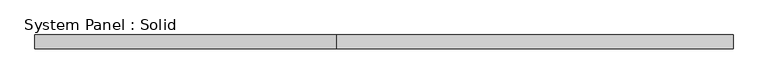
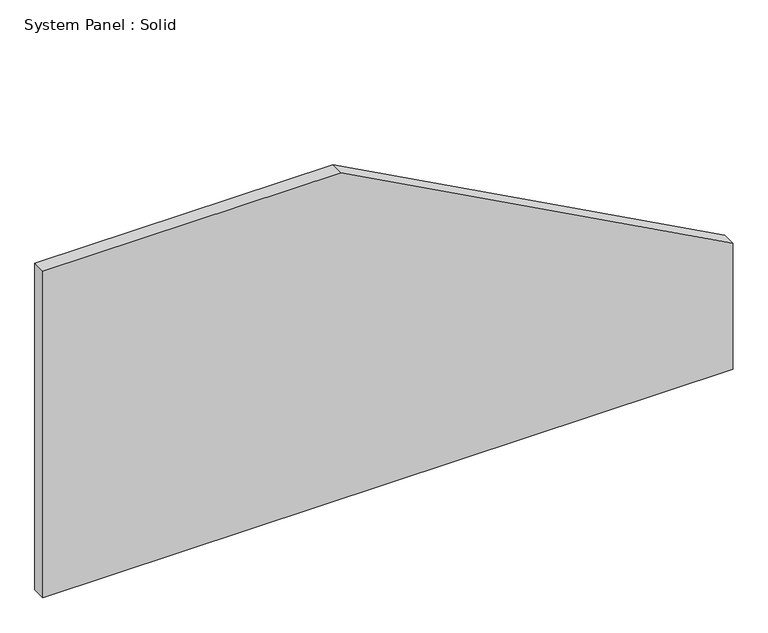
"""IFC4 building model written with IfcOpenShell, lengths in millimetres: plate geometry, System Panel : Solid."""

from ifc_helpers import new_model, si_unit, frame, origin, place, context, project, spatial, polyline, outline, extrude, source, transform, mapped, element, save


def system_panel_solid_8590d7cc(model_context):
    return source(origin(), model_context, "Body", "SweptSolid", [
        extrude(outline(polyline([(0.0, -1500.0), (0.0, 1500.0), (579.2871067, 1500.0), (1500.0, -203.0543736), (1500.0, -1500.0), (0.0, -1500.0)])), frame((0.0, -10.5, 0.0), z_axis=(0.0, 1.0, 0.0), x_axis=(0.0, 0.0, 1.0)), (0.0, 0.0, 1.0), 60.0),
    ])


if __name__ == "__main__":
    model = new_model("IFC4")
    model_context = context("Model", 3, world=origin())
    ifc_project = project(units=[si_unit("LENGTHUNIT", "METRE", prefix="MILLI")], contexts=[model_context])
    site = spatial("IfcSite", under=ifc_project)
    building = spatial("IfcBuilding", under=site)
    placement = place(None, origin())
    system_panel_solid_shape = system_panel_solid_8590d7cc(model_context)
    element("IfcPlate", 1, ObjectType="System Panel : Solid", at=placement, inside=building, context=model_context, shape_type="MappedRepresentation", body=[
        mapped(system_panel_solid_shape, transform((0.0, 0.0, 0.0), x_axis=(1.0, 0.0, 0.0), y_axis=(0.0, 1.0, 0.0), z_axis=(0.0, 0.0, 1.0))),
    ])
    save(model, "model.ifc")
